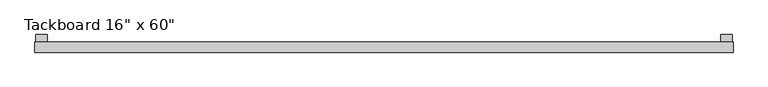
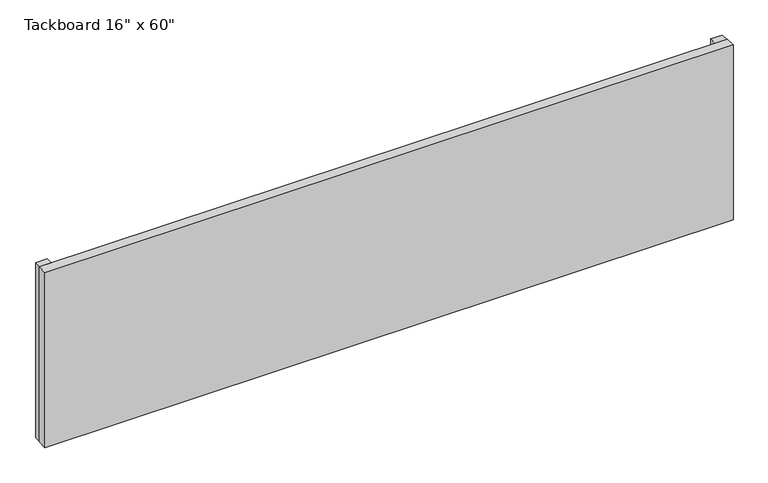
"""IFC4 building model written with IfcOpenShell, lengths in millimetres: furniture geometry."""

import ifcopenshell
import ifcopenshell.guid

model = None  # the IFC model being written
_history = None  # IfcOwnerHistory: only IFC2X3 demands one
_inside = {}  # id of a spatial element -> (the spatial element, [elements in it])
_under = {}  # id of a project, library or spatial element -> (it, [spatial elements below it])
_declared = {}  # id of a project -> (the project, [libraries it declares])
_typed = {}  # id of a type object -> (the type object, [elements of that type])
_made_of = {}  # id of a material, layer set ... -> (it, [elements and type objects made of it])


def new_model(schema):
    """Start an empty IFC model of exactly this schema.

    Asked for "IFC4X3", IfcOpenShell would pick the latest addendum, in which some entities
    have other attributes; the version numbers below select the first issue.
    IFC2X3 requires an IfcOwnerHistory on every rooted entity: one is made here for all.
    """
    global model, _history
    if schema == "IFC4X3":
        model = ifcopenshell.file(schema_version=(4, 3, 0, 0))
    else:
        model = ifcopenshell.file(schema=schema)
    _inside.clear()
    _under.clear()
    _declared.clear()
    _typed.clear()
    _made_of.clear()
    _history = None
    if model.schema == "IFC2X3":
        org = make("IfcOrganization", Name="unknown")
        user = make(
            "IfcPersonAndOrganization",
            ThePerson=make("IfcPerson", FamilyName="unknown"),
            TheOrganization=org,
        )
        app = make(
            "IfcApplication",
            ApplicationDeveloper=org,
            Version="unknown",
            ApplicationFullName="unknown",
            ApplicationIdentifier="unknown",
        )
        _history = make(
            "IfcOwnerHistory",
            OwningUser=user,
            OwningApplication=app,
            ChangeAction="ADDED",
            CreationDate=0,
        )
    return model


def make(cls, **values):
    """One entity of the class cls with the attributes given. An attribute that is None is left unset."""
    return model.create_entity(
        cls, **{name: value for name, value in values.items() if value is not None}
    )


def rooted(cls, **values):
    """An entity with a GlobalId (a new one), such as an element, a storey or a relation."""
    return make(cls, GlobalId=ifcopenshell.guid.new(), OwnerHistory=_history, **values)


def si_unit(unit_type, name, prefix=None):
    """IfcSIUnit, for example si_unit("LENGTHUNIT", "METRE", prefix="MILLI")."""
    return make("IfcSIUnit", UnitType=unit_type, Prefix=prefix, Name=name)


def assignment(units):
    """IfcUnitAssignment: the units of a project."""
    return None if units is None else make("IfcUnitAssignment", Units=units)


def point(xyz):
    """IfcCartesianPoint."""
    return None if xyz is None else make("IfcCartesianPoint", Coordinates=xyz)


def direction(xyz):
    """IfcDirection."""
    return None if xyz is None else make("IfcDirection", DirectionRatios=xyz)


def frame(location, z_axis=None, x_axis=None):
    """IfcAxis2Placement3D, a coordinate frame: its origin and axes. An axis left out is left unset."""
    return make(
        "IfcAxis2Placement3D",
        Location=point(location),
        Axis=direction(z_axis),
        RefDirection=direction(x_axis),
    )


def origin():
    """The frame at (0, 0, 0) with its axes left unset."""
    return frame((0.0, 0.0, 0.0))


def place(relative_to, where):
    """IfcLocalPlacement: puts the frame where relative to a parent placement (None: the world)."""
    return make(
        "IfcLocalPlacement", PlacementRelTo=relative_to, RelativePlacement=where
    )


def context(
    kind, dimensions, precision=None, world=None, true_north=None, identifier=None
):
    """IfcGeometricRepresentationContext, for example the 3D "Model" context."""
    return make(
        "IfcGeometricRepresentationContext",
        ContextIdentifier=identifier,
        ContextType=kind,
        CoordinateSpaceDimension=dimensions,
        Precision=precision,
        WorldCoordinateSystem=world,
        TrueNorth=true_north,
    )


def project(units=None, contexts=None):
    """IfcProject with its units and contexts."""
    return rooted(
        "IfcProject",
        Name="project",
        RepresentationContexts=contexts,
        UnitsInContext=assignment(units),
    )


def spatial(cls, under=None, at=None, **own):
    """A site, building, storey or space (cls), placed at a placement, below another one or the project."""
    s = rooted(cls, ObjectPlacement=at, **own)
    if under is not None:
        _under.setdefault(under.id(), (under, []))[1].append(s)
    return s


def polyline(points):
    """IfcPolyline through the points."""
    return make("IfcPolyline", Points=[point(p) for p in points])


def outline(outer, holes=None, kind="AREA"):
    """IfcArbitraryClosedProfileDef: a profile drawn as a closed curve; with holes, ...WithVoids."""
    if holes is None:
        return make("IfcArbitraryClosedProfileDef", ProfileType=kind, OuterCurve=outer)
    return make(
        "IfcArbitraryProfileDefWithVoids",
        ProfileType=kind,
        OuterCurve=outer,
        InnerCurves=holes,
    )


def extrude(swept, where, along, depth):
    """IfcExtrudedAreaSolid: the profile swept, set in the frame where, extruded along a direction by depth."""
    return make(
        "IfcExtrudedAreaSolid",
        SweptArea=swept,
        Position=where,
        ExtrudedDirection=direction(along),
        Depth=depth,
    )


def shape(context_of_items, identifier, shape_type, items):
    """IfcShapeRepresentation: the items that make up one representation, for example the "Body"."""
    return make(
        "IfcShapeRepresentation",
        ContextOfItems=context_of_items,
        RepresentationIdentifier=identifier,
        RepresentationType=shape_type,
        Items=items,
    )


def source(mapping_origin, context_of_items, identifier, shape_type, items):
    """IfcRepresentationMap: a shape defined once, which mapped items show again and again."""
    return make(
        "IfcRepresentationMap",
        MappingOrigin=mapping_origin,
        MappedRepresentation=shape(context_of_items, identifier, shape_type, items),
    )


def transform(
    local_origin,
    x_axis=None,
    y_axis=None,
    z_axis=None,
    scale=None,
    scale2=None,
    scale3=None,
    uniform=True,
):
    """IfcCartesianTransformationOperator3D, or its non-uniform kind. x_axis, y_axis, z_axis: its Axis1, 2, 3."""
    if uniform:
        return make(
            "IfcCartesianTransformationOperator3D",
            Axis1=direction(x_axis),
            Axis2=direction(y_axis),
            LocalOrigin=point(local_origin),
            Scale=scale,
            Axis3=direction(z_axis),
        )
    return make(
        "IfcCartesianTransformationOperator3DnonUniform",
        Axis1=direction(x_axis),
        Axis2=direction(y_axis),
        LocalOrigin=point(local_origin),
        Scale=scale,
        Axis3=direction(z_axis),
        Scale2=scale2,
        Scale3=scale3,
    )


def mapped(mapping_source, mapping_target):
    """IfcMappedItem: shows the shape of a source again, moved by a transform."""
    return make(
        "IfcMappedItem", MappingSource=mapping_source, MappingTarget=mapping_target
    )


def made_of(thing, what):
    """Note that an element or type object is made of a material, layer set ...; save() writes the relation."""
    if what is not None:
        _made_of.setdefault(what.id(), (what, []))[1].append(thing)
    return thing


def element(
    cls,
    number,
    at=None,
    inside=None,
    cuts=None,
    type_object=None,
    material=None,
    context=None,
    identifier="Body",
    shape_type=None,
    held_by="IfcProductDefinitionShape",
    body=None,
    shapes=None,
    **own,
):
    """One element of the class cls, such as IfcWall. Its Tag is "e" and its number.

    at: its placement. inside: the storey or other place that contains it. cuts: it is an
    opening in that element (IfcRelVoidsElement). A single representation is given by context,
    identifier, shape_type and body (its items); several are given by shapes. held_by: the class
    of the entity that holds the representations. save() writes the other relations.
    """
    e = rooted(cls, Tag="e%d" % number, ObjectPlacement=at, **own)
    if body is not None:
        shapes = [shape(context, identifier, shape_type, body)]
    if shapes is not None:
        e.Representation = make(held_by, Representations=shapes)
    if inside is not None:
        _inside.setdefault(inside.id(), (inside, []))[1].append(e)
    if cuts is not None:
        rooted(
            "IfcRelVoidsElement", RelatingBuildingElement=cuts, RelatedOpeningElement=e
        )
    if type_object is not None:
        _typed.setdefault(type_object.id(), (type_object, []))[1].append(e)
    return made_of(e, material)


def aggregate(whole, parts):
    """IfcRelAggregates: a whole, such as a stair, and the parts it consists of."""
    return rooted("IfcRelAggregates", RelatingObject=whole, RelatedObjects=parts)


def save(model, path):
    """Write the relations noted so far, then the file.

    IfcRelAggregates (storeys below a building ...), IfcRelContainedInSpatialStructure (elements
    in a storey), IfcRelDefinesByType, IfcRelAssociatesMaterial and IfcRelDeclares: one each for
    every whole, place, type object, material and project.
    """
    for whole, parts in _under.values():
        aggregate(whole, parts)
    for where, things in _inside.values():
        rooted(
            "IfcRelContainedInSpatialStructure",
            RelatedElements=things,
            RelatingStructure=where,
        )
    for kind, things in _typed.values():
        rooted("IfcRelDefinesByType", RelatedObjects=things, RelatingType=kind)
    for what, things in _made_of.values():
        rooted("IfcRelAssociatesMaterial", RelatedObjects=things, RelatingMaterial=what)
    for by, libraries in _declared.values():
        rooted("IfcRelDeclares", RelatingContext=by, RelatedDefinitions=libraries)
    model.write(path)


def furniture_f359bdd4(model_context):
    return source(origin(), model_context, "Body", "SweptSolid", [
        extrude(outline(polyline([(758.0902902, -32.0718594), (-753.2097098, -32.0718594), (-753.2097098, -9.8468594), (758.0902902, -9.8468594), (758.0902902, -32.0718594)])), frame((0.0, 0.0, 1066.8), z_axis=(0.0, 0.0, 1.0), x_axis=(1.0, 0.0, 0.0)), (0.0, 0.0, 1.0), 406.4),
        extrude(outline(polyline([(731.1027902, 6.0281406), (756.5027902, 6.0281406), (756.5027902, -9.8468594), (731.1027902, -9.8468594), (731.1027902, 6.0281406)])), frame((0.0, 0.0, 1066.8), z_axis=(0.0, 0.0, 1.0), x_axis=(1.0, 0.0, 0.0)), (0.0, 0.0, 1.0), 406.4),
        extrude(outline(polyline([(-726.2222098, 6.0281406), (-726.2222098, -9.8468594), (-751.6222098, -9.8468594), (-751.6222098, 6.0281406), (-726.2222098, 6.0281406)])), frame((0.0, 0.0, 1066.8), z_axis=(0.0, 0.0, 1.0), x_axis=(1.0, 0.0, 0.0)), (0.0, 0.0, 1.0), 406.4),
    ])


if __name__ == "__main__":
    model = new_model("IFC4")
    model_context = context("Model", 3, world=origin())
    ifc_project = project(units=[si_unit("LENGTHUNIT", "METRE", prefix="MILLI")], contexts=[model_context])
    site = spatial("IfcSite", under=ifc_project)
    building = spatial("IfcBuilding", under=site)
    placement = place(None, origin())
    furniture_shape = furniture_f359bdd4(model_context)
    element("IfcFurniture", 1, ObjectType="Tackboard 16\" x 60\"", at=placement, inside=building, context=model_context, shape_type="MappedRepresentation", body=[
        mapped(furniture_shape, transform((0.0, 0.0, 0.0), x_axis=(1.0, 0.0, 0.0), y_axis=(0.0, 1.0, 0.0), z_axis=(0.0, 0.0, 1.0))),
    ])
    save(model, "model.ifc")
